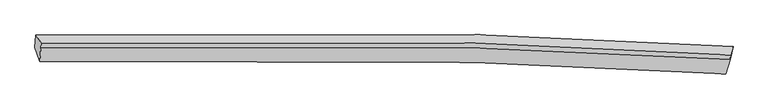
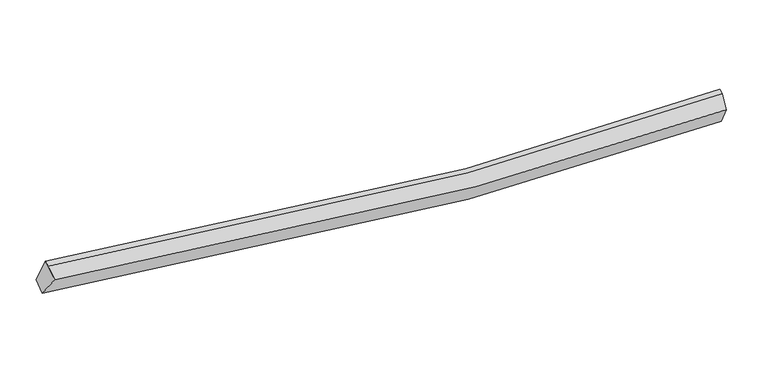
"""IFC4 building model written with IfcOpenShell, lengths in millimetres: proxy geometry."""

from ifc_helpers import new_model, si_unit, frame, origin, place, context, project, spatial, source, transform, mapped, element, save
from ifc_brep_helpers import plane_surface, spline_curve, spline_surface, advanced_brep


def generic_models_0000efa1(model_context):
    return source(origin(), model_context, "Body", "AdvancedBrep", [
        advanced_brep(
        [(-9879.4328407, -1955.2957576, 3521.0563331), (-9851.330429, -1606.099289, 3705.7420126), (9098.0395768, -1925.4157424, 2410.7947919), (8962.7844509, -2325.8722006, 2266.3849573), (-9745.5366622, -2328.8300843, 4108.3257405), (8903.5435245, -2675.3956695, 2832.772227), (-9719.2729779, -1967.8695006, 4285.8998736), (9022.9606106, -2279.9652941, 3025.8214289), (-9713.429108, -1825.9974671, 4334.2545558), (9028.4148892, -2147.5513962, 3070.9524656)],
        [
            (0, 1),
            (1, 2, spline_curve(3, [(-9851.330429, -1606.099289, 3705.7420126), (-5910.353102584, -1485.216480002, 2895.842652168), (-1935.54424942, -1483.345901415, 2425.492158004), (4403.312010271, -1668.581796913, 2218.655765497), (6744.959826622, -1776.891193591, 2257.357185959), (9098.0395768, -1925.4157424, 2410.7947919)], [4, 2, 4], [0.0, 39.39518958518965, 62.295546757710014])),
            (2, 3),
            (3, 0, spline_curve(3, [(8962.7844509, -2325.8722006, 2266.3849573), (6664.911855094, -2175.407188499, 2122.223347899), (4363.003311665, -2063.56163844, 2087.573755062), (-1909.827798032, -1864.365655616, 2291.221039185), (-5888.658351869, -1852.685724441, 2744.094425299), (-9879.4328407, -1955.2957576, 3521.0563331)], [4, 2, 4], [0.0, 22.900357172520366, 62.295546757710014])),
            (4, 0),
            (3, 5),
            (5, 4, spline_curve(3, [(8903.5435245, -2675.3956695, 2832.772227), (6627.904464639, -2528.737714342, 2695.074817711), (4348.756140148, -2420.381292074, 2665.453773445), (-1860.727911733, -2229.811875252, 2878.874769062), (-5797.939648682, -2222.646436693, 3333.680318594), (-9745.5366622, -2328.8300843, 4108.3257405)], [4, 2, 4], [0.0, 22.716128819628935, 61.79439274141302])),
            (6, 4),
            (5, 7),
            (7, 6, spline_curve(3, [(9022.9606106, -2279.9652941, 3025.8214289), (6700.120702373, -2133.14791917, 2875.947647465), (4386.926830283, -2026.243382097, 2837.92928594), (-1879.384690269, -1844.006725337, 3038.787289172), (-5813.602014474, -1846.879330489, 3496.831798137), (-9719.2729779, -1967.8695006, 4285.8998736)], [4, 2, 4], [0.0, 22.657234121011953, 61.63418225107719])),
            (8, 6),
            (7, 9),
            (9, 8, spline_curve(3, [(9028.4148892, -2147.5513962, 3070.9524656), (6705.54723032, -2001.407724419, 2920.849063572), (4392.353358436, -1894.503187638, 2882.830702253), (-1873.882673204, -1710.433864083, 3084.313338867), (-5807.970132542, -1710.153757667, 3543.432395906), (-9713.429108, -1825.9974671, 4334.2545558)], [4, 2, 4], [0.0, 22.714378664368553, 61.78963181659273])),
            (1, 8),
            (9, 2),
            (7, 2),
            (3, 7),
        ],
        [
            spline_surface(3, 3, [[(-9879.4328407, -1955.2957576, 3521.0563331), (-5888.658351789, -1852.68572397, 2744.094424777), (-1909.827798163, -1864.365655108, 2291.221039644), (4363.003311741, -2063.561638735, 2087.573754795), (6664.911855321, -2175.407188551, 2122.223348013), (8962.7844509, -2325.8722006, 2266.3849573)], [(-9870.065370138, -1838.896934757, 3582.618226262), (-5895.889935368, -1730.195975944, 2794.677167187), (-1918.399948758, -1737.359070461, 2335.978079114), (4376.439544702, -1931.90169155, 2131.267758363), (6691.594512429, -2042.568523576, 2167.267960644), (9007.869492847, -2192.386714522, 2314.521568827)], [(-9860.697899562, -1722.498111843, 3644.180119438), (-5903.121518932, -1607.706227847, 2845.259909611), (-1926.972099384, -1610.352485736, 2380.735118563), (4389.875777634, -1800.241744287, 2174.961761911), (6718.277169595, -1909.729858636, 2212.312573295), (9052.954534853, -2058.901228478, 2362.658180373)], [(-9851.330429, -1606.099289, 3705.7420126), (-5910.353102511, -1485.216479821, 2895.842652022), (-1935.54424998, -1483.345901089, 2425.492158033), (4403.312010596, -1668.581797103, 2218.65576548), (6744.959826702, -1776.891193661, 2257.357185926), (9098.0395768, -1925.4157424, 2410.7947919)]], [4, 4], [4, 2, 4], [0.0, 1.3351222684873782], [0.0, 39.39518958518965, 62.295546757710014]),
            spline_surface(3, 3, [[(-9745.5366622, -2328.8300843, 4108.3257405), (-5797.939648548, -2222.646436457, 3333.680318404), (-1860.727911226, -2229.811875544, 2878.874769211), (4348.756139854, -2420.381291905, 2665.453773358), (6627.904464729, -2528.73771458, 2695.074818008), (8903.5435245, -2675.3956695, 2832.772227)], [(-9790.16872168, -2204.318642052, 3912.569271385), (-5828.179216275, -2099.326198946, 3137.151687214), (-1877.094540222, -2107.996468725, 2682.990192677), (4353.505197133, -2301.441407508, 2472.827100492), (6640.240261591, -2410.960872593, 2504.124327997), (8923.290499964, -2558.887846556, 2643.976470421)], [(-9834.80078122, -2079.807199848, 3716.812802215), (-5858.418784062, -1976.00596148, 2940.623055967), (-1893.461169168, -1986.181061927, 2487.105616178), (4358.254254461, -2182.501523132, 2280.200427661), (6652.57605846, -2293.184030538, 2313.173838024), (8943.037475436, -2442.380023544, 2455.180713879)], [(-9879.4328407, -1955.2957576, 3521.0563331), (-5888.658351789, -1852.68572397, 2744.094424777), (-1909.827798163, -1864.365655108, 2291.221039644), (4363.003311741, -2063.561638735, 2087.573754795), (6664.911855321, -2175.407188551, 2122.223348013), (8962.7844509, -2325.8722006, 2266.3849573)]], [4, 4], [4, 2, 4], [0.0, 2.261525375677424], [0.0, 39.078263921784085, 61.79439274141302]),
            spline_surface(3, 3, [[(-9719.2729779, -1967.8695006, 4285.8998736), (-5813.602014092, -1846.879330631, 3496.831798093), (-1879.384690274, -1844.006724737, 3038.787288831), (4386.926830286, -2026.243382446, 2837.929286138), (6700.120702609, -2133.147919482, 2875.947647176), (9022.9606106, -2279.9652941, 3025.8214289)], [(-9728.02753934, -2088.189695173, 4226.708495895), (-5808.381225584, -1972.135032579, 3442.447971525), (-1873.165763901, -1972.608441671, 2985.483115635), (4374.203266833, -2157.622685598, 2780.437448555), (6676.048623315, -2265.011184493, 2815.656704141), (8983.154915232, -2411.775419212, 2961.471694955)], [(-9736.78210076, -2208.509889727, 4167.517118205), (-5803.160437056, -2097.390734509, 3388.064144972), (-1866.9468376, -2101.21015861, 2932.178942408), (4361.479703307, -2289.001988753, 2722.945610941), (6651.976544024, -2396.874449568, 2755.365761043), (8943.349219868, -2543.585544388, 2897.121960945)], [(-9745.5366622, -2328.8300843, 4108.3257405), (-5797.939648548, -2222.646436457, 3333.680318404), (-1860.727911226, -2229.811875544, 2878.874769211), (4348.756139854, -2420.381291905, 2665.453773358), (6627.904464729, -2528.73771458, 2695.074818008), (8903.5435245, -2675.3956695, 2832.772227)]], [4, 4], [4, 2, 4], [0.0, 1.379837872692274], [0.0, 38.97694813006524, 61.63418225107719]),
            spline_surface(3, 3, [[(-9713.429108, -1825.9974671, 4334.2545558), (-5807.970132748, -1710.153757942, 3543.432396201), (-1873.882672779, -1710.433863937, 3084.313338427), (4392.353358188, -1894.503187723, 2882.830702509), (6705.547230612, -2001.407724758, 2920.849063547), (9028.4148892, -2147.5513962, 3070.9524656)], [(-9715.377064638, -1873.288144935, 4318.136328391), (-5809.847426534, -1755.72894884, 3527.898863489), (-1875.716678639, -1754.958150883, 3069.137988546), (4390.544515525, -1938.416585977, 2867.863563703), (6703.738387949, -2045.321123012, 2905.881924741), (9026.596796338, -2191.68936218, 3055.908786684)], [(-9717.325021262, -1920.578822765, 4302.018101009), (-5811.724720306, -1801.304139733, 3512.365330805), (-1877.550684414, -1799.482437791, 3053.962638712), (4388.735672948, -1982.329984192, 2852.896424944), (6701.929545272, -2089.234521228, 2890.914785982), (9024.778703462, -2235.82732812, 3040.865107816)], [(-9719.2729779, -1967.8695006, 4285.8998736), (-5813.602014092, -1846.879330631, 3496.831798093), (-1879.384690274, -1844.006724737, 3038.787288831), (4386.926830286, -2026.243382446, 2837.929286138), (6700.120702609, -2133.147919482, 2875.947647176), (9022.9606106, -2279.9652941, 3025.8214289)]], [4, 4], [4, 2, 4], [0.0, 0.46275181831422135], [0.0, 39.07525315222418, 61.78963181659273]),
            spline_surface(3, 3, [[(-9851.330429, -1606.099289, 3705.7420126), (-5910.353102511, -1485.216479821, 2895.842652022), (-1935.54424998, -1483.345901089, 2425.492158033), (4403.312010596, -1668.581797103, 2218.65576548), (6744.959826702, -1776.891193661, 2257.357185926), (9098.0395768, -1925.4157424, 2410.7947919)], [(-9805.363322004, -1679.398681683, 3915.246193667), (-5876.225445927, -1560.195572511, 3111.705900082), (-1914.990390902, -1559.041888674, 2645.099218174), (4399.659126471, -1743.888927279, 2440.047411166), (6731.822294691, -1851.730037358, 2478.521145147), (9074.831347618, -1999.460960331, 2630.847349814)], [(-9759.396214996, -1752.698074417, 4124.750374733), (-5842.097789332, -1635.174665252, 3327.569148141), (-1894.436531856, -1634.737876352, 2864.706278286), (4396.006242314, -1819.196057547, 2661.439056823), (6718.684762624, -1926.568881062, 2699.685104327), (9051.623118382, -2073.506178269, 2850.899907686)], [(-9713.429108, -1825.9974671, 4334.2545558), (-5807.970132748, -1710.153757942, 3543.432396201), (-1873.882672779, -1710.433863937, 3084.313338427), (4392.353358188, -1894.503187723, 2882.830702509), (6705.547230612, -2001.407724758, 2920.849063547), (9028.4148892, -2147.5513962, 3070.9524656)]], [4, 4], [4, 2, 4], [0.0, 2.290826459476148], [0.0, 39.29400131344321, 62.135537914491195]),
            plane_surface(frame((-9781.8004036, -1936.8184197, 3991.0557031), z_axis=(-0.9784456775470742, -0.02936499033076507, 0.20440585469188693), x_axis=(-0.07096099835467655, -0.8817510150143325, -0.46634717135810094))),
            plane_surface(frame((9049.8050255, -2117.6441442, 2835.8562288), z_axis=(0.994278195796683, -0.06880528770624647, 0.08171108705037385), x_axis=(0.10517283334083984, 0.4966634842889007, -0.8615474789592671))),
            plane_surface(frame((8963.0961954, -2427.0777214, 2708.3262044), z_axis=(0.963338994187275, -0.26136883570936015, -0.0605335774441162), x_axis=(-0.2619062682524648, -0.8672602668291746, -0.4233966653499491))),
            plane_surface(frame((9027.9282128, -2177.0844124, 2567.6670593), z_axis=(0.951942927222678, -0.3008786915445812, -0.05724225960896438), x_axis=(-0.07884729609338656, -0.06015065546313111, -0.9950703505512148))),
        ],
        [
            (0, [[1, 2, 3, 4]]),
            (1, [[5, -4, 6, 7]]),
            (2, [[8, -7, 9, 10]]),
            (3, [[11, -10, 12, 13]]),
            (4, [[14, -13, 15, -2]]),
            (5, [[-1, -5, -8, -11, -14]]),
            (6, [[16, -15, -12]]),
            (7, [[-9, -6, 17]]),
            (8, [[-17, -3, -16]]),
        ],
    ),
    ])


if __name__ == "__main__":
    model = new_model("IFC4")
    model_context = context("Model", 3, world=origin())
    ifc_project = project(units=[si_unit("LENGTHUNIT", "METRE", prefix="MILLI")], contexts=[model_context])
    site = spatial("IfcSite", under=ifc_project)
    building = spatial("IfcBuilding", under=site)
    placement = place(None, origin())
    generic_models_shape = generic_models_0000efa1(model_context)
    element("IfcBuildingElementProxy", 1, Name="Generic Models", at=placement, inside=building, context=model_context, shape_type="MappedRepresentation", body=[
        mapped(generic_models_shape, transform((0.0, 0.0, 0.0), x_axis=(1.0, 0.0, 0.0), y_axis=(0.0, 1.0, 0.0), z_axis=(0.0, 0.0, 1.0))),
    ])
    save(model, "model.ifc")
